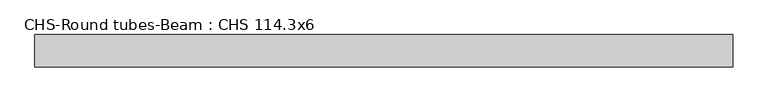
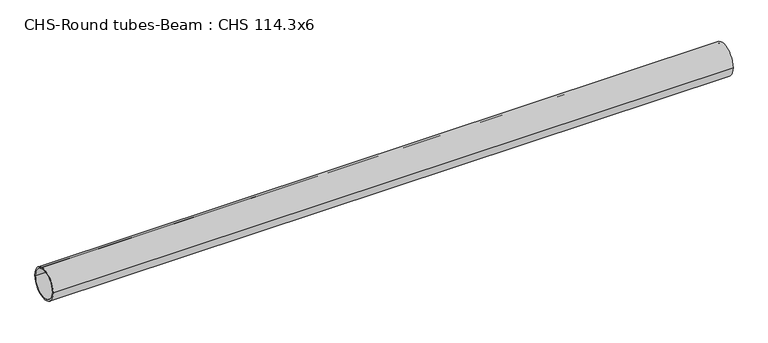
"""IFC4 building model written with IfcOpenShell, lengths in millimetres: beam geometry, CHS-Round tubes-Beam : CHS 114.3x6."""

import ifcopenshell
import ifcopenshell.guid

model = None  # the IFC model being written
_history = None  # IfcOwnerHistory: only IFC2X3 demands one
_inside = {}  # id of a spatial element -> (the spatial element, [elements in it])
_under = {}  # id of a project, library or spatial element -> (it, [spatial elements below it])
_declared = {}  # id of a project -> (the project, [libraries it declares])
_typed = {}  # id of a type object -> (the type object, [elements of that type])
_made_of = {}  # id of a material, layer set ... -> (it, [elements and type objects made of it])


def new_model(schema):
    """Start an empty IFC model of exactly this schema.

    Asked for "IFC4X3", IfcOpenShell would pick the latest addendum, in which some entities
    have other attributes; the version numbers below select the first issue.
    IFC2X3 requires an IfcOwnerHistory on every rooted entity: one is made here for all.
    """
    global model, _history
    if schema == "IFC4X3":
        model = ifcopenshell.file(schema_version=(4, 3, 0, 0))
    else:
        model = ifcopenshell.file(schema=schema)
    _inside.clear()
    _under.clear()
    _declared.clear()
    _typed.clear()
    _made_of.clear()
    _history = None
    if model.schema == "IFC2X3":
        org = make("IfcOrganization", Name="unknown")
        user = make(
            "IfcPersonAndOrganization",
            ThePerson=make("IfcPerson", FamilyName="unknown"),
            TheOrganization=org,
        )
        app = make(
            "IfcApplication",
            ApplicationDeveloper=org,
            Version="unknown",
            ApplicationFullName="unknown",
            ApplicationIdentifier="unknown",
        )
        _history = make(
            "IfcOwnerHistory",
            OwningUser=user,
            OwningApplication=app,
            ChangeAction="ADDED",
            CreationDate=0,
        )
    return model


def make(cls, **values):
    """One entity of the class cls with the attributes given. An attribute that is None is left unset."""
    return model.create_entity(
        cls, **{name: value for name, value in values.items() if value is not None}
    )


def rooted(cls, **values):
    """An entity with a GlobalId (a new one), such as an element, a storey or a relation."""
    return make(cls, GlobalId=ifcopenshell.guid.new(), OwnerHistory=_history, **values)


def si_unit(unit_type, name, prefix=None):
    """IfcSIUnit, for example si_unit("LENGTHUNIT", "METRE", prefix="MILLI")."""
    return make("IfcSIUnit", UnitType=unit_type, Prefix=prefix, Name=name)


def assignment(units):
    """IfcUnitAssignment: the units of a project."""
    return None if units is None else make("IfcUnitAssignment", Units=units)


def point(xyz):
    """IfcCartesianPoint."""
    return None if xyz is None else make("IfcCartesianPoint", Coordinates=xyz)


def direction(xyz):
    """IfcDirection."""
    return None if xyz is None else make("IfcDirection", DirectionRatios=xyz)


def frame(location, z_axis=None, x_axis=None):
    """IfcAxis2Placement3D, a coordinate frame: its origin and axes. An axis left out is left unset."""
    return make(
        "IfcAxis2Placement3D",
        Location=point(location),
        Axis=direction(z_axis),
        RefDirection=direction(x_axis),
    )


def frame_2d(location, x_axis=None):
    """IfcAxis2Placement2D, a coordinate frame in the plane: its origin and x axis."""
    return make(
        "IfcAxis2Placement2D", Location=point(location), RefDirection=direction(x_axis)
    )


def origin():
    """The frame at (0, 0, 0) with its axes left unset."""
    return frame((0.0, 0.0, 0.0))


def origin_2d():
    """The frame at (0, 0) in the plane with its x axis left unset."""
    return frame_2d((0.0, 0.0))


def place(relative_to, where):
    """IfcLocalPlacement: puts the frame where relative to a parent placement (None: the world)."""
    return make(
        "IfcLocalPlacement", PlacementRelTo=relative_to, RelativePlacement=where
    )


def context(
    kind, dimensions, precision=None, world=None, true_north=None, identifier=None
):
    """IfcGeometricRepresentationContext, for example the 3D "Model" context."""
    return make(
        "IfcGeometricRepresentationContext",
        ContextIdentifier=identifier,
        ContextType=kind,
        CoordinateSpaceDimension=dimensions,
        Precision=precision,
        WorldCoordinateSystem=world,
        TrueNorth=true_north,
    )


def project(units=None, contexts=None):
    """IfcProject with its units and contexts."""
    return rooted(
        "IfcProject",
        Name="project",
        RepresentationContexts=contexts,
        UnitsInContext=assignment(units),
    )


def spatial(cls, under=None, at=None, **own):
    """A site, building, storey or space (cls), placed at a placement, below another one or the project."""
    s = rooted(cls, ObjectPlacement=at, **own)
    if under is not None:
        _under.setdefault(under.id(), (under, []))[1].append(s)
    return s


def circle_curve(where, radius):
    """IfcCircle in the frame where."""
    return make("IfcCircle", Position=where, Radius=radius)


def trimmed(basis, trim1, trim2, sense, master):
    """IfcTrimmedCurve: the piece of a basis curve between two trims."""
    return make(
        "IfcTrimmedCurve",
        BasisCurve=basis,
        Trim1=trim1,
        Trim2=trim2,
        SenseAgreement=sense,
        MasterRepresentation=master,
    )


def segment(curve, same_sense, transition):
    """IfcCompositeCurveSegment."""
    return make(
        "IfcCompositeCurveSegment",
        Transition=transition,
        SameSense=same_sense,
        ParentCurve=curve,
    )


def composite_curve(segments, self_intersect=None):
    """IfcCompositeCurve: segments joined end to end."""
    return make("IfcCompositeCurve", Segments=segments, SelfIntersect=self_intersect)


def outline(outer, holes=None, kind="AREA"):
    """IfcArbitraryClosedProfileDef: a profile drawn as a closed curve; with holes, ...WithVoids."""
    if holes is None:
        return make("IfcArbitraryClosedProfileDef", ProfileType=kind, OuterCurve=outer)
    return make(
        "IfcArbitraryProfileDefWithVoids",
        ProfileType=kind,
        OuterCurve=outer,
        InnerCurves=holes,
    )


def extrude(swept, where, along, depth):
    """IfcExtrudedAreaSolid: the profile swept, set in the frame where, extruded along a direction by depth."""
    return make(
        "IfcExtrudedAreaSolid",
        SweptArea=swept,
        Position=where,
        ExtrudedDirection=direction(along),
        Depth=depth,
    )


def shape(context_of_items, identifier, shape_type, items):
    """IfcShapeRepresentation: the items that make up one representation, for example the "Body"."""
    return make(
        "IfcShapeRepresentation",
        ContextOfItems=context_of_items,
        RepresentationIdentifier=identifier,
        RepresentationType=shape_type,
        Items=items,
    )


def source(mapping_origin, context_of_items, identifier, shape_type, items):
    """IfcRepresentationMap: a shape defined once, which mapped items show again and again."""
    return make(
        "IfcRepresentationMap",
        MappingOrigin=mapping_origin,
        MappedRepresentation=shape(context_of_items, identifier, shape_type, items),
    )


def transform(
    local_origin,
    x_axis=None,
    y_axis=None,
    z_axis=None,
    scale=None,
    scale2=None,
    scale3=None,
    uniform=True,
):
    """IfcCartesianTransformationOperator3D, or its non-uniform kind. x_axis, y_axis, z_axis: its Axis1, 2, 3."""
    if uniform:
        return make(
            "IfcCartesianTransformationOperator3D",
            Axis1=direction(x_axis),
            Axis2=direction(y_axis),
            LocalOrigin=point(local_origin),
            Scale=scale,
            Axis3=direction(z_axis),
        )
    return make(
        "IfcCartesianTransformationOperator3DnonUniform",
        Axis1=direction(x_axis),
        Axis2=direction(y_axis),
        LocalOrigin=point(local_origin),
        Scale=scale,
        Axis3=direction(z_axis),
        Scale2=scale2,
        Scale3=scale3,
    )


def mapped(mapping_source, mapping_target):
    """IfcMappedItem: shows the shape of a source again, moved by a transform."""
    return make(
        "IfcMappedItem", MappingSource=mapping_source, MappingTarget=mapping_target
    )


def made_of(thing, what):
    """Note that an element or type object is made of a material, layer set ...; save() writes the relation."""
    if what is not None:
        _made_of.setdefault(what.id(), (what, []))[1].append(thing)
    return thing


def element(
    cls,
    number,
    at=None,
    inside=None,
    cuts=None,
    type_object=None,
    material=None,
    context=None,
    identifier="Body",
    shape_type=None,
    held_by="IfcProductDefinitionShape",
    body=None,
    shapes=None,
    **own,
):
    """One element of the class cls, such as IfcWall. Its Tag is "e" and its number.

    at: its placement. inside: the storey or other place that contains it. cuts: it is an
    opening in that element (IfcRelVoidsElement). A single representation is given by context,
    identifier, shape_type and body (its items); several are given by shapes. held_by: the class
    of the entity that holds the representations. save() writes the other relations.
    """
    e = rooted(cls, Tag="e%d" % number, ObjectPlacement=at, **own)
    if body is not None:
        shapes = [shape(context, identifier, shape_type, body)]
    if shapes is not None:
        e.Representation = make(held_by, Representations=shapes)
    if inside is not None:
        _inside.setdefault(inside.id(), (inside, []))[1].append(e)
    if cuts is not None:
        rooted(
            "IfcRelVoidsElement", RelatingBuildingElement=cuts, RelatedOpeningElement=e
        )
    if type_object is not None:
        _typed.setdefault(type_object.id(), (type_object, []))[1].append(e)
    return made_of(e, material)


def aggregate(whole, parts):
    """IfcRelAggregates: a whole, such as a stair, and the parts it consists of."""
    return rooted("IfcRelAggregates", RelatingObject=whole, RelatedObjects=parts)


def save(model, path):
    """Write the relations noted so far, then the file.

    IfcRelAggregates (storeys below a building ...), IfcRelContainedInSpatialStructure (elements
    in a storey), IfcRelDefinesByType, IfcRelAssociatesMaterial and IfcRelDeclares: one each for
    every whole, place, type object, material and project.
    """
    for whole, parts in _under.values():
        aggregate(whole, parts)
    for where, things in _inside.values():
        rooted(
            "IfcRelContainedInSpatialStructure",
            RelatedElements=things,
            RelatingStructure=where,
        )
    for kind, things in _typed.values():
        rooted("IfcRelDefinesByType", RelatedObjects=things, RelatingType=kind)
    for what, things in _made_of.values():
        rooted("IfcRelAssociatesMaterial", RelatedObjects=things, RelatingMaterial=what)
    for by, libraries in _declared.values():
        rooted("IfcRelDeclares", RelatingContext=by, RelatedDefinitions=libraries)
    model.write(path)


def chs_round_tubes_beam_chs_114_3x6_333dfea7(model_context):
    return source(origin(), model_context, "Body", "SweptSolid", [
        extrude(outline(composite_curve([segment(trimmed(circle_curve(origin_2d(), 57.15), [point((57.15, 0.0))], [point((-57.15, 0.0))], False, "CARTESIAN"), True, "CONTINUOUS"), segment(trimmed(circle_curve(origin_2d(), 57.15), [point((-57.15, 0.0))], [point((57.15, 0.0))], False, "CARTESIAN"), True, "CONTINUOUS")], self_intersect=False), holes=[composite_curve([segment(trimmed(circle_curve(origin_2d(), 51.15), [point((51.15, 0.0))], [point((-51.15, 0.0))], True, "CARTESIAN"), True, "CONTINUOUS"), segment(trimmed(circle_curve(origin_2d(), 51.15), [point((-51.15, 0.0))], [point((51.15, 0.0))], True, "CARTESIAN"), True, "CONTINUOUS")], self_intersect=False)]), frame((-1182.9068206, 0.0, 0.0), z_axis=(1.0, 0.0, 0.0), x_axis=(0.0, 1.0, 0.0)), (0.0, 0.0, 1.0), 2476.9971844),
    ])


if __name__ == "__main__":
    model = new_model("IFC4")
    model_context = context("Model", 3, world=origin())
    ifc_project = project(units=[si_unit("LENGTHUNIT", "METRE", prefix="MILLI")], contexts=[model_context])
    site = spatial("IfcSite", under=ifc_project)
    building = spatial("IfcBuilding", under=site)
    placement = place(None, origin())
    chs_round_tubes_beam_chs_114_3x6_shape = chs_round_tubes_beam_chs_114_3x6_333dfea7(model_context)
    element("IfcBeam", 1, ObjectType="CHS-Round tubes-Beam : CHS 114.3x6", at=placement, inside=building, context=model_context, shape_type="MappedRepresentation", body=[
        mapped(chs_round_tubes_beam_chs_114_3x6_shape, transform((0.0, 0.0, 0.0), x_axis=(1.0, 0.0, 0.0), y_axis=(0.0, 1.0, 0.0), z_axis=(0.0, 0.0, 1.0))),
    ])
    save(model, "model.ifc")
